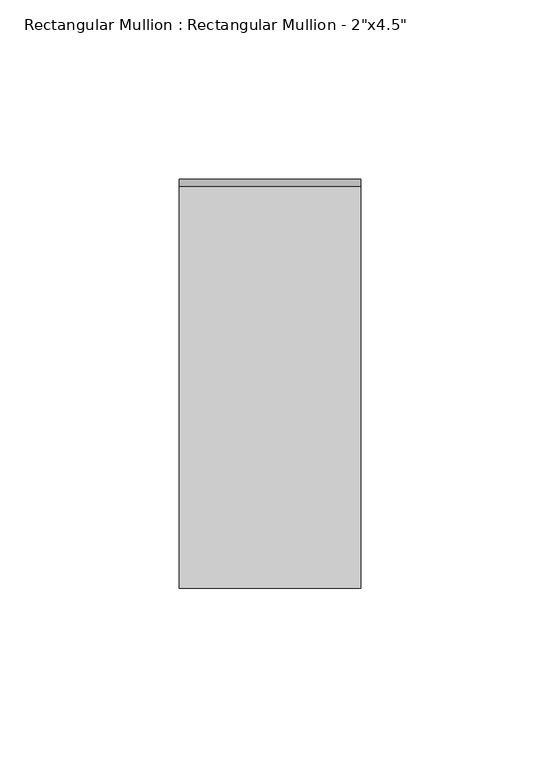
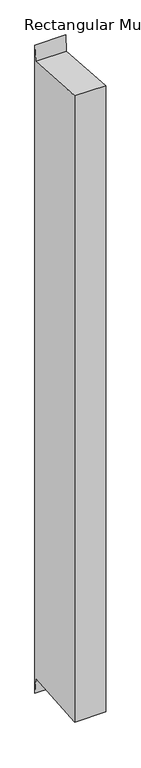
"""IFC4 building model written with IfcOpenShell, lengths in millimetres: member geometry."""

from ifc_helpers import new_model, si_unit, frame, origin, place, context, project, spatial, polyline, outline, extrude, source, transform, mapped, element, save


def member_9ca9b35a(model_context):
    return source(origin(), model_context, "Body", "SweptSolid", [
        extrude(outline(polyline([(-57.15, 4.096095), (55.1534353, -4.0852687), (57.15, 23.3210511), (57.15, -1109.3567242), (55.1534353, -1081.9504044), (-57.15, -1090.1317681), (-57.15, 4.096095)])), frame((-50.8, 0.0, 0.0), z_axis=(1.0, 0.0, 0.0), x_axis=(0.0, 1.0, 0.0)), (0.0, 0.0, 1.0), 50.8),
    ])


if __name__ == "__main__":
    model = new_model("IFC4")
    model_context = context("Model", 3, world=origin())
    ifc_project = project(units=[si_unit("LENGTHUNIT", "METRE", prefix="MILLI")], contexts=[model_context])
    site = spatial("IfcSite", under=ifc_project)
    building = spatial("IfcBuilding", under=site)
    placement = place(None, origin())
    member_shape = member_9ca9b35a(model_context)
    element("IfcMember", 1, ObjectType="Rectangular Mullion : Rectangular Mullion - 2\"x4.5\"", at=placement, inside=building, context=model_context, shape_type="MappedRepresentation", body=[
        mapped(member_shape, transform((0.0, 0.0, 0.0), x_axis=(1.0, 0.0, 0.0), y_axis=(0.0, 1.0, 0.0), z_axis=(0.0, 0.0, 1.0))),
    ])
    save(model, "model.ifc")
